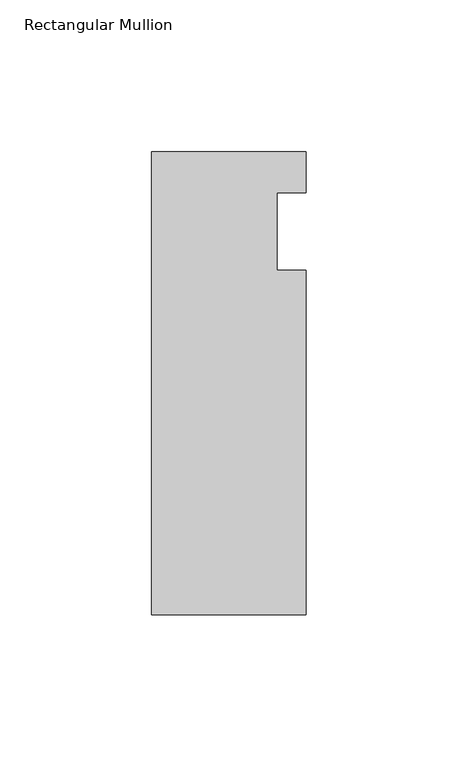
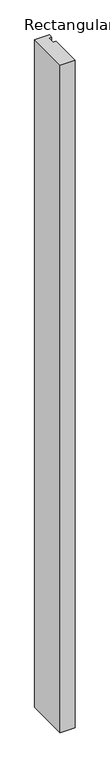
"""IFC4 building model written with IfcOpenShell, lengths in millimetres: member geometry, Rectangular Mullion."""

from ifc_helpers import new_model, si_unit, frame, origin, place, context, project, spatial, polyline, outline, extrude, source, transform, mapped, element, save


def rectangular_mullion_6e18ec40(model_context):
    return source(origin(), model_context, "Body", "SweptSolid", [
        extrude(outline(polyline([(-25.4, 26.19375), (25.4, 26.19375), (25.4, 12.7), (15.875, 12.7), (15.875, -12.7), (25.4, -12.7), (25.4, -126.20625), (-25.4, -126.20625), (-25.4, 26.19375)])), frame((0.0, 0.0, -2438.4), z_axis=(0.0, 0.0, 1.0), x_axis=(1.0, 0.0, 0.0)), (0.0, 0.0, 1.0), 2438.4),
    ])


if __name__ == "__main__":
    model = new_model("IFC4")
    model_context = context("Model", 3, world=origin())
    ifc_project = project(units=[si_unit("LENGTHUNIT", "METRE", prefix="MILLI")], contexts=[model_context])
    site = spatial("IfcSite", under=ifc_project)
    building = spatial("IfcBuilding", under=site)
    placement = place(None, origin())
    rectangular_mullion_shape = rectangular_mullion_6e18ec40(model_context)
    element("IfcMember", 1, ObjectType="Rectangular Mullion", at=placement, inside=building, context=model_context, shape_type="MappedRepresentation", body=[
        mapped(rectangular_mullion_shape, transform((0.0, 0.0, 0.0), x_axis=(1.0, 0.0, 0.0), y_axis=(0.0, 1.0, 0.0), z_axis=(0.0, 0.0, 1.0))),
    ])
    save(model, "model.ifc")
